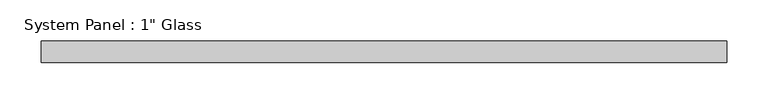
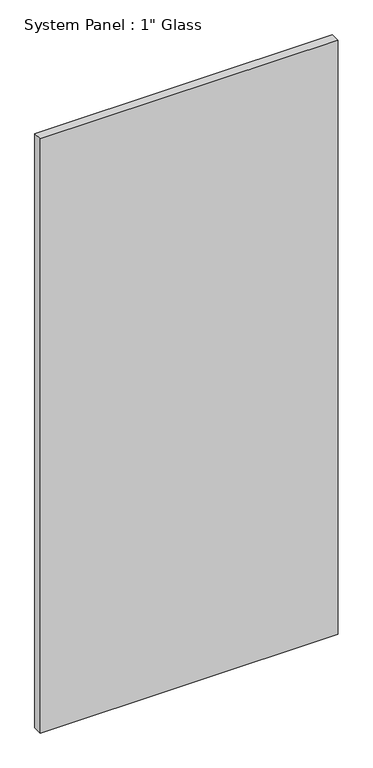
"""IFC4 building model written with IfcOpenShell, lengths in millimetres: plate geometry."""

from ifc_helpers import new_model, si_unit, origin, origin_with_axes, place, context, project, spatial, polyline, outline, extrude, source, transform, mapped, element, save


def plate_0fe2958e(model_context):
    return source(origin(), model_context, "Body", "SweptSolid", [
        extrude(outline(polyline([(412.75, -12.7), (-412.75, -12.7), (-412.75, 12.7), (412.75, 12.7), (412.75, -12.7)])), origin_with_axes(), (0.0, 0.0, 1.0), 1739.9),
    ])


if __name__ == "__main__":
    model = new_model("IFC4")
    model_context = context("Model", 3, world=origin())
    ifc_project = project(units=[si_unit("LENGTHUNIT", "METRE", prefix="MILLI")], contexts=[model_context])
    site = spatial("IfcSite", under=ifc_project)
    building = spatial("IfcBuilding", under=site)
    placement = place(None, origin())
    plate_shape = plate_0fe2958e(model_context)
    element("IfcPlate", 1, ObjectType="System Panel : 1\" Glass", at=placement, inside=building, context=model_context, shape_type="MappedRepresentation", body=[
        mapped(plate_shape, transform((0.0, 0.0, 0.0), x_axis=(1.0, 0.0, 0.0), y_axis=(0.0, 1.0, 0.0), z_axis=(0.0, 0.0, 1.0))),
    ])
    save(model, "model.ifc")
